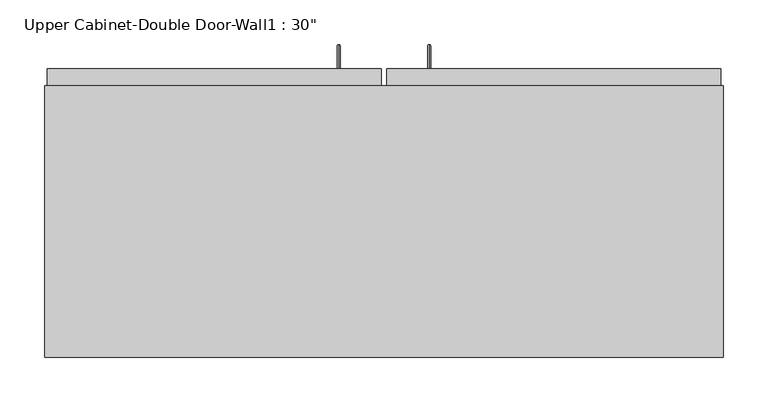
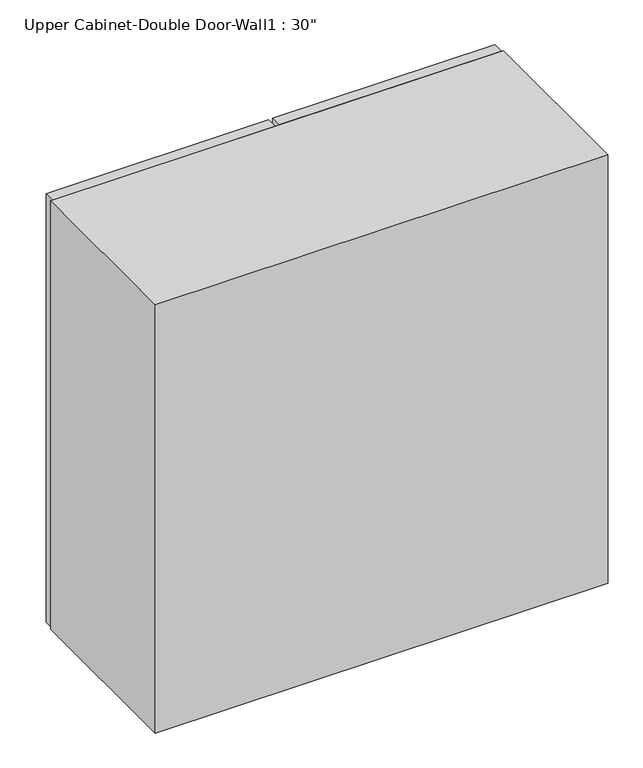
"""IFC4 building model written with IfcOpenShell, lengths in millimetres: furniture geometry."""

from ifc_helpers import new_model, si_unit, frame, origin, place, context, project, spatial, polyline, circle_curve, ellipse_curve, outline, extrude, faceted_brep, source, transform, mapped, element, save
from ifc_brep_helpers import plane_surface, cylinder_surface, advanced_brep


def furniture_7a5838bc(model_context):
    return source(origin(), model_context, "Body", "SolidModel", [
        advanced_brep(
        [(80.5132081, 377.825, 1425.575), (80.5132081, 377.825, 1422.4), (80.5132081, 401.6375, 1425.575), (80.5132081, 404.8125, 1422.4), (80.5132081, 401.6375, 1597.025), (80.5132081, 404.8125, 1600.2), (80.5132081, 377.825, 1597.025), (80.5132081, 377.825, 1600.2)],
        [
            (0, 1, circle_curve(frame((80.5132081, 377.825, 1423.9875), z_axis=(0.0, -1.0, 0.0), x_axis=(0.0, 0.0, -1.0)), 1.5875)),
            (1, 0, circle_curve(frame((80.5132081, 377.825, 1423.9875), z_axis=(0.0, -1.0, 0.0), x_axis=(0.0, 0.0, -1.0)), 1.5875)),
            (0, 2),
            (2, 3, ellipse_curve(frame((80.5132081, 403.225, 1423.9875), z_axis=(0.0, -0.7071067811865498, -0.7071067811865454), x_axis=(0.0, -0.7071067811865451, 0.7071067811865498)), 2.245064, 1.5875)),
            (3, 1),
            (3, 2, ellipse_curve(frame((80.5132081, 403.225, 1423.9875), z_axis=(0.0, -0.7071067811865498, -0.7071067811865454), x_axis=(0.0, -0.7071067811865451, 0.7071067811865498)), 2.245064, 1.5875)),
            (2, 4),
            (4, 5, ellipse_curve(frame((80.5132081, 403.225, 1598.6125), z_axis=(0.0, 0.7071067811865452, -0.7071067811865497), x_axis=(0.0, -0.7071067811865496, -0.7071067811865455)), 2.245064, 1.5875)),
            (5, 3),
            (5, 4, ellipse_curve(frame((80.5132081, 403.225, 1598.6125), z_axis=(0.0, 0.7071067811865452, -0.7071067811865497), x_axis=(0.0, -0.7071067811865496, -0.7071067811865455)), 2.245064, 1.5875)),
            (6, 7, circle_curve(frame((80.5132081, 377.825, 1598.6125), z_axis=(0.0, -1.0, 0.0), x_axis=(0.0, 0.0, 1.0)), 1.5875)),
            (7, 6, circle_curve(frame((80.5132081, 377.825, 1598.6125), z_axis=(0.0, -1.0, 0.0), x_axis=(0.0, 0.0, 1.0)), 1.5875)),
            (4, 6),
            (7, 5),
        ],
        [
            plane_surface(frame((80.5132081, 377.825, 1423.9875), z_axis=(0.0, -1.0, 0.0), x_axis=(-1.0, 0.0, 0.0))),
            cylinder_surface(frame((80.5132081, 377.825, 1423.9875), z_axis=(0.0, -1.0, 0.0), x_axis=(0.0, 0.0, -1.0)), 1.5875),
            cylinder_surface(frame((80.5132081, 403.225, 1423.9875), z_axis=(0.0, 0.0, -1.0), x_axis=(0.0, 1.0, 0.0)), 1.5875),
            plane_surface(frame((80.5132081, 377.825, 1598.6125), z_axis=(0.0, -1.0, 0.0), x_axis=(-1.0, 0.0, 0.0))),
            cylinder_surface(frame((80.5132081, 403.225, 1598.6125), z_axis=(0.0, 1.0, 0.0), x_axis=(0.0, 0.0, 1.0)), 1.5875),
        ],
        [
            (0, [[1, 2]]),
            (1, [[-1, 3, 4, 5]]),
            (1, [[-2, -5, 6, -3]]),
            (2, [[-4, 7, 8, 9]]),
            (2, [[-6, -9, 10, -7]]),
            (3, [[11, 12]]),
            (4, [[-8, 13, -12, 14]]),
            (4, [[-10, -14, -11, -13]]),
        ],
    ),
        advanced_brep(
        [(-21.0867919, 377.825, 1425.575), (-21.0867919, 377.825, 1422.4), (-21.0867919, 401.6375, 1425.575), (-21.0867919, 404.8125, 1422.4), (-21.0867919, 401.6375, 1597.025), (-21.0867919, 404.8125, 1600.2), (-21.0867919, 377.825, 1597.025), (-21.0867919, 377.825, 1600.2)],
        [
            (0, 1, circle_curve(frame((-21.0867919, 377.825, 1423.9875), z_axis=(0.0, -1.0, 0.0), x_axis=(0.0, 0.0, -1.0)), 1.5875)),
            (1, 0, circle_curve(frame((-21.0867919, 377.825, 1423.9875), z_axis=(0.0, -1.0, 0.0), x_axis=(0.0, 0.0, -1.0)), 1.5875)),
            (0, 2),
            (2, 3, ellipse_curve(frame((-21.0867919, 403.225, 1423.9875), z_axis=(0.0, -0.7071067811865498, -0.7071067811865454), x_axis=(0.0, -0.7071067811865451, 0.7071067811865498)), 2.245064, 1.5875)),
            (3, 1),
            (3, 2, ellipse_curve(frame((-21.0867919, 403.225, 1423.9875), z_axis=(0.0, -0.7071067811865498, -0.7071067811865454), x_axis=(0.0, -0.7071067811865451, 0.7071067811865498)), 2.245064, 1.5875)),
            (2, 4),
            (4, 5, ellipse_curve(frame((-21.0867919, 403.225, 1598.6125), z_axis=(0.0, 0.7071067811865452, -0.7071067811865497), x_axis=(0.0, -0.7071067811865496, -0.7071067811865455)), 2.245064, 1.5875)),
            (5, 3),
            (5, 4, ellipse_curve(frame((-21.0867919, 403.225, 1598.6125), z_axis=(0.0, 0.7071067811865452, -0.7071067811865497), x_axis=(0.0, -0.7071067811865496, -0.7071067811865455)), 2.245064, 1.5875)),
            (6, 7, circle_curve(frame((-21.0867919, 377.825, 1598.6125), z_axis=(0.0, -1.0, 0.0), x_axis=(0.0, 0.0, 1.0)), 1.5875)),
            (7, 6, circle_curve(frame((-21.0867919, 377.825, 1598.6125), z_axis=(0.0, -1.0, 0.0), x_axis=(0.0, 0.0, 1.0)), 1.5875)),
            (4, 6),
            (7, 5),
        ],
        [
            plane_surface(frame((-21.0867919, 377.825, 1423.9875), z_axis=(0.0, -1.0, 0.0), x_axis=(-1.0, 0.0, 0.0))),
            cylinder_surface(frame((-21.0867919, 377.825, 1423.9875), z_axis=(0.0, -1.0, 0.0), x_axis=(0.0, 0.0, -1.0)), 1.5875),
            cylinder_surface(frame((-21.0867919, 403.225, 1423.9875), z_axis=(0.0, 0.0, -1.0), x_axis=(0.0, 1.0, 0.0)), 1.5875),
            plane_surface(frame((-21.0867919, 377.825, 1598.6125), z_axis=(0.0, -1.0, 0.0), x_axis=(-1.0, 0.0, 0.0))),
            cylinder_surface(frame((-21.0867919, 403.225, 1598.6125), z_axis=(0.0, 1.0, 0.0), x_axis=(0.0, 0.0, 1.0)), 1.5875),
        ],
        [
            (0, [[1, 2]]),
            (1, [[-1, 3, 4, 5]]),
            (1, [[-2, -5, 6, -3]]),
            (2, [[-4, 7, 8, 9]]),
            (2, [[-6, -9, 10, -7]]),
            (3, [[11, 12]]),
            (4, [[-8, 13, -12, 14]]),
            (4, [[-10, -14, -11, -13]]),
        ],
    ),
        faceted_brep([(-351.2288372, 53.975, 2133.6), (-351.2288372, 53.975, 1371.6), (410.7711628, 53.975, 1371.6), (410.7711628, 53.975, 2133.6), (-351.2288372, 358.775, 2133.6), (410.7711628, 358.775, 2133.6), (410.7711628, 358.775, 1371.6), (-351.2288372, 358.775, 1371.6), (391.7211628, 358.775, 2114.55), (55.1711628, 358.775, 2114.55), (55.1711628, 358.775, 1390.65), (391.7211628, 358.775, 1390.65), (-332.1788372, 358.775, 2114.55), (-332.1788372, 358.775, 1390.65), (4.3711628, 358.775, 1390.65), (4.3711628, 358.775, 2114.55), (-332.1788372, 73.025, 2114.55), (4.3711628, 339.725, 2114.55), (55.1711628, 339.725, 2114.55), (391.7211628, 73.025, 2114.55), (391.7211628, 73.025, 1390.65), (55.1711628, 339.725, 1390.65), (4.3711628, 339.725, 1390.65), (-332.1788372, 73.025, 1390.65)], [[[0, 1, 2, 3]], [[4, 5, 6, 7], [8, 9, 10, 11], [12, 13, 14, 15]], [[1, 0, 4, 7]], [[2, 1, 7, 6]], [[3, 2, 6, 5]], [[0, 3, 5, 4]], [[16, 12, 15, 17, 18, 9, 8, 19]], [[8, 11, 20, 19]], [[20, 11, 10, 21, 22, 14, 13, 23]], [[13, 12, 16, 23]], [[16, 19, 20, 23]], [[18, 21, 10, 9]], [[15, 14, 22, 17]], [[21, 18, 17, 22]]]),
        extrude(outline(polyline([(32.9461628, 377.825), (407.5961628, 377.825), (407.5961628, 358.775), (32.9461628, 358.775), (32.9461628, 377.825)])), frame((0.0, 0.0, 1371.6), z_axis=(0.0, 0.0, 1.0), x_axis=(1.0, 0.0, 0.0)), (0.0, 0.0, 1.0), 762.0),
        extrude(outline(polyline([(-348.0538372, 377.825), (26.5961628, 377.825), (26.5961628, 358.775), (-348.0538372, 358.775), (-348.0538372, 377.825)])), frame((0.0, 0.0, 1371.6), z_axis=(0.0, 0.0, 1.0), x_axis=(1.0, 0.0, 0.0)), (0.0, 0.0, 1.0), 762.0),
        extrude(outline(polyline([(391.7211628, 339.725), (391.7211628, 73.025), (-332.1788372, 73.025), (-332.1788372, 339.725), (391.7211628, 339.725)])), frame((0.0, 0.0, 1951.0326388), z_axis=(0.0, 0.0, 1.0), x_axis=(1.0, 0.0, 0.0)), (0.0, 0.0, 1.0), 12.7),
        extrude(outline(polyline([(391.7211628, 339.725), (391.7211628, 73.025), (-332.1788372, 73.025), (-332.1788372, 339.725), (391.7211628, 339.725)])), frame((0.0, 0.0, 1773.2326388), z_axis=(0.0, 0.0, 1.0), x_axis=(1.0, 0.0, 0.0)), (0.0, 0.0, 1.0), 12.7),
        extrude(outline(polyline([(391.7211628, 339.725), (391.7211628, 73.025), (-332.1788372, 73.025), (-332.1788372, 339.725), (391.7211628, 339.725)])), frame((0.0, 0.0, 1595.4326388), z_axis=(0.0, 0.0, 1.0), x_axis=(1.0, 0.0, 0.0)), (0.0, 0.0, 1.0), 12.7),
    ])


if __name__ == "__main__":
    model = new_model("IFC4")
    model_context = context("Model", 3, world=origin())
    ifc_project = project(units=[si_unit("LENGTHUNIT", "METRE", prefix="MILLI")], contexts=[model_context])
    site = spatial("IfcSite", under=ifc_project)
    building = spatial("IfcBuilding", under=site)
    placement = place(None, origin())
    furniture_shape = furniture_7a5838bc(model_context)
    element("IfcFurniture", 1, ObjectType="Upper Cabinet-Double Door-Wall1 : 30\"", at=placement, inside=building, context=model_context, shape_type="MappedRepresentation", body=[
        mapped(furniture_shape, transform((0.0, 0.0, 0.0), x_axis=(1.0, 0.0, 0.0), y_axis=(0.0, 1.0, 0.0), z_axis=(0.0, 0.0, 1.0))),
    ])
    save(model, "model.ifc")
